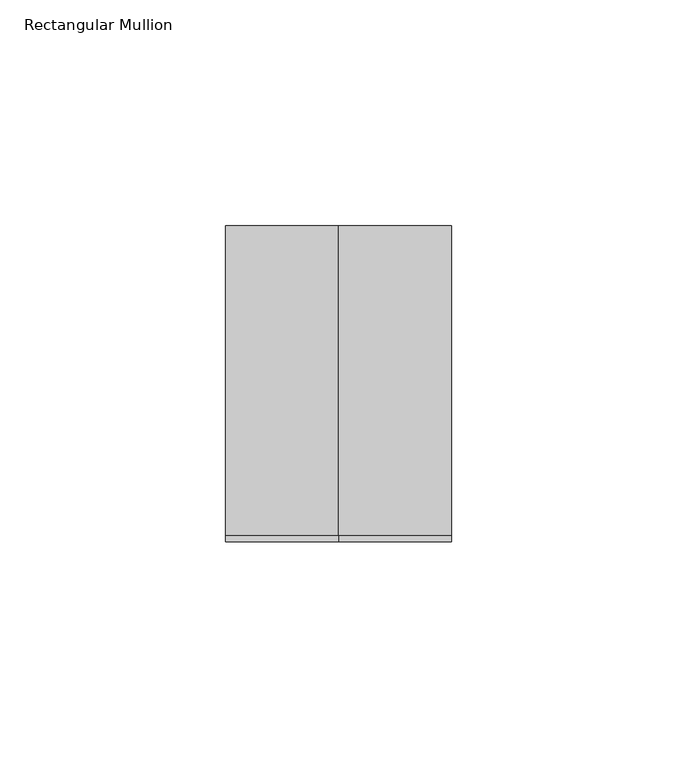
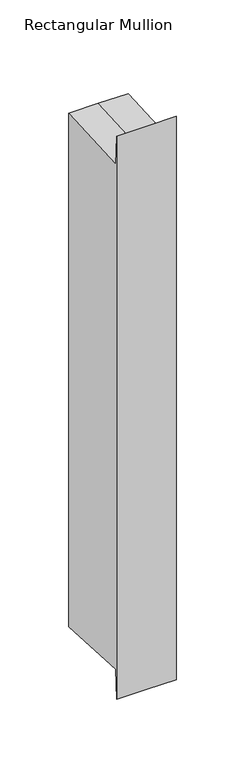
"""IFC4 building model written with IfcOpenShell, lengths in millimetres: member geometry, Rectangular Mullion."""

from ifc_helpers import new_model, si_unit, origin, place, context, project, spatial, faceted_brep, source, transform, mapped, element, save


def rectangular_mullion_8808e898(model_context):
    return source(origin(), model_context, "Body", "Brep", [
        faceted_brep([(-25.0, 35.0, 1.917762), (0.0, 35.0, 1.917762), (25.0, 35.0, 1.917762), (25.0, 35.0, -454.311307), (0.0, 35.0, -454.311307), (-25.0, 35.0, -454.311307), (-25.0, -35.0, 24.0223615), (-25.0, -33.5498891, -1.9147718), (-25.0, -33.5498891, -450.4787732), (-25.0, -35.0, -476.4159064), (25.0, -35.0, 24.0223615), (0.0, -35.0, 24.0223615), (0.0, -35.0, -476.4159064), (25.0, -35.0, -476.4159064), (25.0, -33.5498891, -1.9147718), (25.0, -33.5498891, -450.4787732), (0.0, -33.5498891, -1.9147718), (0.0, -33.5498891, -450.4787732)], [[[0, 1, 2, 3, 4, 5]], [[6, 7, 0, 5, 8, 9]], [[10, 11, 6, 9, 12, 13]], [[2, 14, 10, 13, 15, 3]], [[2, 1, 16, 14]], [[1, 0, 7, 16]], [[7, 6, 11, 16]], [[11, 10, 14, 16]], [[3, 15, 17, 4]], [[15, 13, 12, 17]], [[12, 9, 8, 17]], [[8, 5, 4, 17]]]),
    ])


if __name__ == "__main__":
    model = new_model("IFC4")
    model_context = context("Model", 3, world=origin())
    ifc_project = project(units=[si_unit("LENGTHUNIT", "METRE", prefix="MILLI")], contexts=[model_context])
    site = spatial("IfcSite", under=ifc_project)
    building = spatial("IfcBuilding", under=site)
    placement = place(None, origin())
    rectangular_mullion_shape = rectangular_mullion_8808e898(model_context)
    element("IfcMember", 1, ObjectType="Rectangular Mullion", at=placement, inside=building, context=model_context, shape_type="MappedRepresentation", body=[
        mapped(rectangular_mullion_shape, transform((0.0, 0.0, 0.0), x_axis=(1.0, 0.0, 0.0), y_axis=(0.0, 1.0, 0.0), z_axis=(0.0, 0.0, 1.0))),
    ])
    save(model, "model.ifc")
